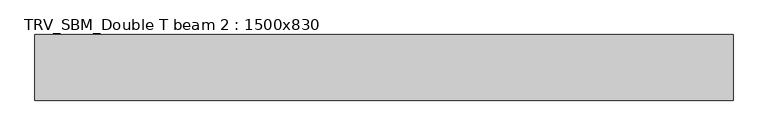
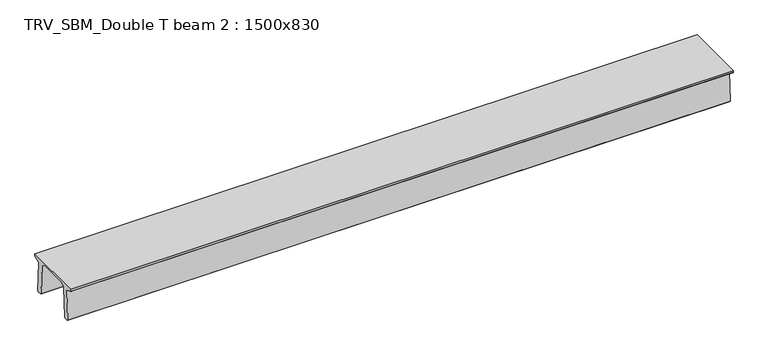
"""IFC4 building model written with IfcOpenShell, lengths in millimetres: beam geometry, TRV_SBM_Double T beam 2 : 1500x830."""

from ifc_helpers import new_model, si_unit, frame, origin, place, context, project, spatial, polyline, outline, extrude, source, transform, mapped, element, save


def trv_sbm_double_t_beam_2_1500x830_6589f5be(model_context):
    return source(origin(), model_context, "Body", "SweptSolid", [
        extrude(outline(polyline([(337.4555014, 470.0), (-343.4555014, 470.0), (-456.5828437, 409.8491251), (-494.786332, -340.5206011), (-514.2657308, -360.0), (-604.2657308, -360.0), (-624.8277662, -339.4379646), (-586.9373878, 401.9654693), (-752.8511046, 468.9989621), (-753.0, 475.0), (-753.0, 520.0), (747.0, 520.0), (747.0, 475.0), (746.8511046, 468.9989621), (580.9373878, 401.9654693), (618.8277662, -339.4379646), (598.2657308, -360.0), (508.2657308, -360.0), (488.786332, -340.5206011), (450.5828437, 409.8491251), (337.4555014, 470.0)])), frame((-7979.5, 0.0, 0.0), z_axis=(1.0, 0.0, 0.0), x_axis=(0.0, 1.0, 0.0)), (0.0, 0.0, 1.0), 15959.0),
    ])


if __name__ == "__main__":
    model = new_model("IFC4")
    model_context = context("Model", 3, world=origin())
    ifc_project = project(units=[si_unit("LENGTHUNIT", "METRE", prefix="MILLI")], contexts=[model_context])
    site = spatial("IfcSite", under=ifc_project)
    building = spatial("IfcBuilding", under=site)
    placement = place(None, origin())
    trv_sbm_double_t_beam_2_1500x830_shape = trv_sbm_double_t_beam_2_1500x830_6589f5be(model_context)
    element("IfcBeam", 1, ObjectType="TRV_SBM_Double T beam 2 : 1500x830", at=placement, inside=building, context=model_context, shape_type="MappedRepresentation", body=[
        mapped(trv_sbm_double_t_beam_2_1500x830_shape, transform((0.0, 0.0, 0.0), x_axis=(1.0, 0.0, 0.0), y_axis=(0.0, 1.0, 0.0), z_axis=(0.0, 0.0, 1.0))),
    ])
    save(model, "model.ifc")
